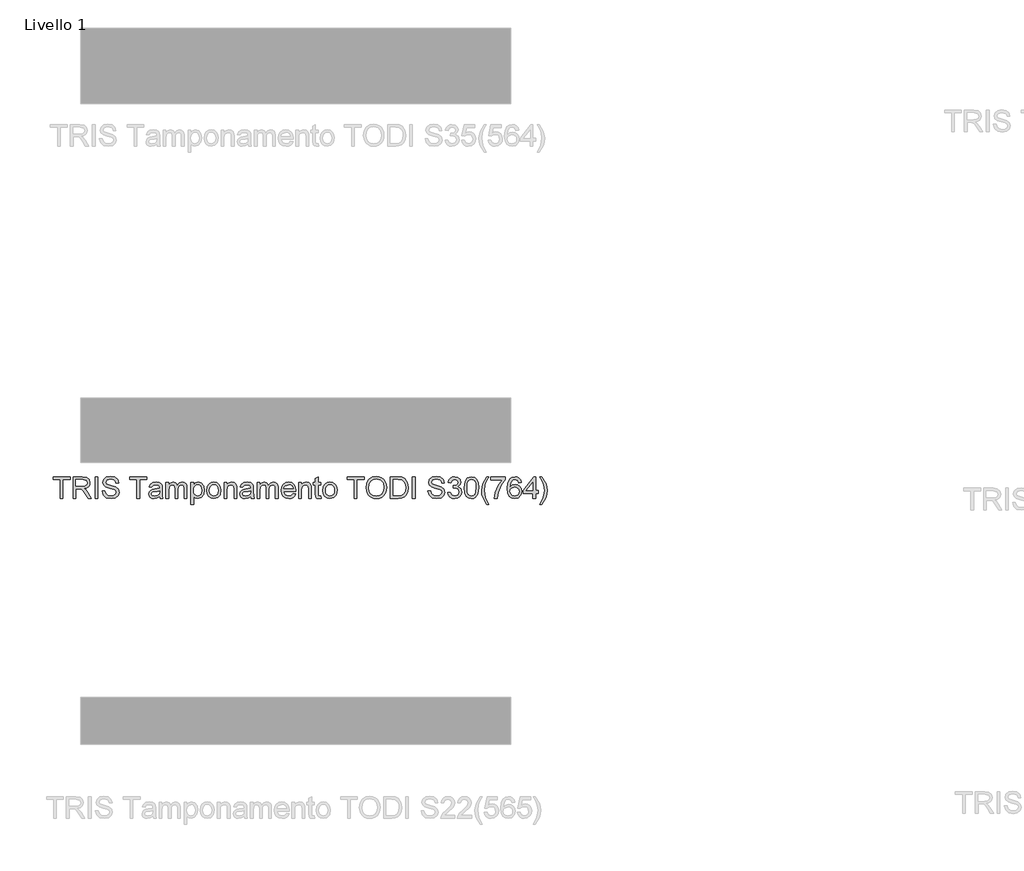
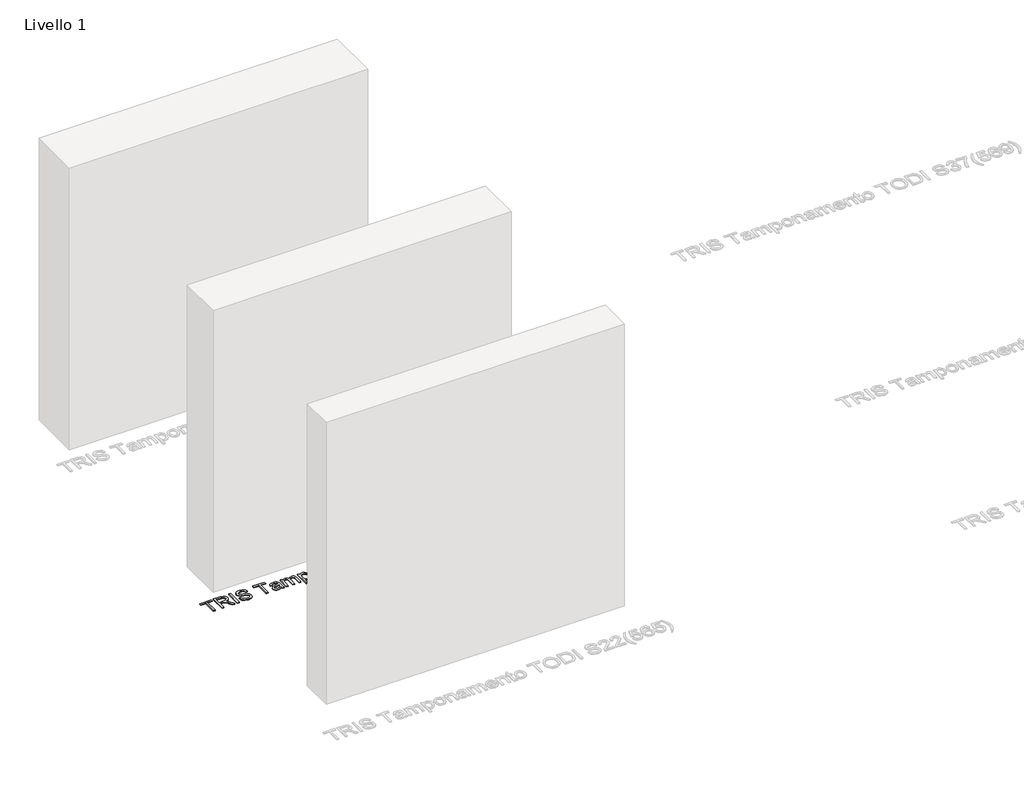
# One storey, part 4 of 18: 1 proxy.
"""IFC4 building model written with IfcOpenShell, lengths in millimetres."""

from ifc_helpers import new_model, si_unit, origin, origin_with_axes, place, context, project, spatial, polyline, outline, extrude, element, save

model = new_model("IFC4")

# Units and contexts
model_context = context("Model", 3, world=origin())
ifc_project = project(units=[si_unit("LENGTHUNIT", "METRE", prefix="MILLI")], contexts=[model_context])

# Site, building, storey
site = spatial("IfcSite", under=ifc_project)
building = spatial("IfcBuilding", under=site)
storey = spatial("IfcBuildingStorey", under=building, Name="Livello 1", Elevation=0.0)

# Proxy
placement = place(None, origin())
element("IfcBuildingElementProxy", 1, Name="100", ObjectType="100", at=placement, inside=storey, context=model_context, shape_type="SweptSolid", body=[
    extrude(outline(polyline([(-5515.4826024, -1714.0240692), (-5515.4826024, -1626.1247978), (-5548.4448291, -1626.1247978), (-5548.4448291, -1613.5677591), (-5469.9633368, -1613.5677591), (-5469.9633368, -1626.1247978), (-5502.9255636, -1626.1247978), (-5502.9255636, -1714.0240692), (-5515.4826024, -1714.0240692)])), origin_with_axes(), (0.0, 0.0, 1.0), 5.0),
    extrude(outline(polyline([(-5455.8366682, -1714.0240692), (-5455.8366682, -1613.5677591), (-5412.5492201, -1613.5677591), (-5392.4506005, -1616.2778231), (-5381.4631915, -1625.8672804), (-5377.3551759, -1641.0608068), (-5379.0566301, -1650.9568325), (-5384.1609928, -1659.160601), (-5392.8215481, -1665.1754716), (-5405.1915802, -1668.5048037), (-5398.0546695, -1673.8758808), (-5387.876601, -1686.8008016), (-5371.1257075, -1714.0240692), (-5385.7183599, -1714.0240692), (-5398.7904335, -1693.2019483), (-5408.2327381, -1679.4186362), (-5414.8668767, -1672.9071249), (-5420.8388278, -1670.5158919), (-5428.1228913, -1670.0744335), (-5443.2796295, -1670.0744335), (-5443.2796295, -1714.0240692), (-5455.8366682, -1714.0240692)]), holes=[polyline([(-5443.2796295, -1657.5173948), (-5415.173445, -1657.5173948), (-5400.8383099, -1655.7392984), (-5392.6958551, -1650.0493902), (-5389.9122147, -1641.5267907), (-5395.2219782, -1630.4658054), (-5412.0096599, -1626.1247978), (-5443.2796295, -1626.1247978), (-5443.2796295, -1657.5173948)])]), origin_with_axes(), (0.0, 0.0, 1.0), 5.0),
    extrude(outline(polyline([(-5353.8107282, -1714.0240692), (-5353.8107282, -1613.5677591), (-5341.2536895, -1613.5677591), (-5341.2536895, -1714.0240692), (-5353.8107282, -1714.0240692)])), origin_with_axes(), (0.0, 0.0, 1.0), 5.0),
    extrude(outline(polyline([(-5320.8485015, -1679.4922126), (-5308.2914627, -1679.4922126), (-5304.2447607, -1692.0615141), (-5294.3609978, -1700.0077652), (-5279.3023615, -1703.0366603), (-5266.181237, -1700.7435292), (-5257.7076884, -1694.4404843), (-5254.9240479, -1686.0159866), (-5257.0087126, -1678.1801001), (-5265.5435749, -1672.4779292), (-5283.82731, -1667.6832006), (-5303.5089968, -1661.4905203), (-5314.1898373, -1652.1463176), (-5317.7092418, -1639.6628553), (-5313.3559715, -1625.4503475), (-5300.6395172, -1615.4194318), (-5282.0246882, -1611.9981292), (-5262.1590605, -1615.5788473), (-5248.9153087, -1626.1002724), (-5243.936639, -1641.8210963), (-5256.4936778, -1641.8210963), (-5258.7990716, -1634.3285663), (-5263.606063, -1628.920701), (-5281.5341789, -1624.555168), (-5299.5113457, -1628.8716501), (-5305.152203, -1639.2949733), (-5301.154552, -1648.0015138), (-5280.6512621, -1655.0157972), (-5258.4311896, -1661.318842), (-5246.278821, -1671.4969106), (-5242.3670092, -1685.6971556), (-5246.8674322, -1700.7190037), (-5259.8168785, -1711.6818872), (-5278.8118521, -1715.5936991), (-5301.2403911, -1711.3753188), (-5315.4283734, -1698.6711273), (-5320.8485015, -1679.4922126)])), origin_with_axes(), (0.0, 0.0, 1.0), 5.0),
    extrude(outline(polyline([(-5159.1766273, -1714.0240692), (-5159.1766273, -1626.1247978), (-5192.1388541, -1626.1247978), (-5192.1388541, -1613.5677591), (-5113.6573618, -1613.5677591), (-5113.6573618, -1626.1247978), (-5146.6195885, -1626.1247978), (-5146.6195885, -1714.0240692), (-5159.1766273, -1714.0240692)])), origin_with_axes(), (0.0, 0.0, 1.0), 5.0),
    extrude(outline(polyline([(-5054.0114276, -1704.6062901), (-5066.1883217, -1713.116627), (-5079.64054, -1715.5936991), (-5090.1343739, -1714.103777), (-5097.8752242, -1709.6340107), (-5102.6484931, -1702.8465879), (-5104.2395827, -1694.4036961), (-5101.836087, -1684.4708823), (-5095.5207794, -1677.2603952), (-5086.7283997, -1673.1401168), (-5075.8636181, -1671.2516559), (-5054.085004, -1666.9351738), (-5054.0114276, -1664.1392707), (-5057.4695184, -1654.8686444), (-5071.3509323, -1651.2388754), (-5084.0551239, -1653.6546338), (-5090.1129141, -1662.2262843), (-5102.6699529, -1660.6566544), (-5097.2375621, -1648.3939213), (-5086.2992041, -1641.2079596), (-5069.7322516, -1638.6818366), (-5054.5141997, -1640.913654), (-5045.9180237, -1646.5177231), (-5042.0675255, -1655.0403227), (-5041.4543889, -1666.0277316), (-5041.4543889, -1681.6504536), (-5040.8167267, -1703.4658559), (-5038.3151292, -1714.0240692), (-5050.8721679, -1714.0240692), (-5054.0114276, -1704.6062901)]), holes=[polyline([(-5054.0114276, -1679.4922126), (-5074.2694628, -1683.3427108), (-5085.0729308, -1685.3783245), (-5089.9657613, -1688.6892625), (-5091.6825439, -1693.5207793), (-5087.9424103, -1700.3143335), (-5076.9672641, -1703.0366603), (-5064.2630726, -1700.0322907), (-5056.0715668, -1692.7604899), (-5054.085004, -1683.0484052), (-5054.0114276, -1679.4922126)])]), origin_with_axes(), (0.0, 0.0, 1.0), 5.0),
    extrude(outline(polyline([(-5024.1884606, -1714.0240692), (-5024.1884606, -1640.2514664), (-5011.6314218, -1640.2514664), (-5011.6314218, -1652.3915723), (-5002.9984576, -1642.4464957), (-4990.711199, -1638.6818366), (-4978.1296348, -1642.5200721), (-4971.2134532, -1653.2744891), (-4961.4155294, -1642.3299997), (-4949.0424317, -1638.6818366), (-4939.6031928, -1640.1993498), (-4932.622632, -1644.7518895), (-4928.3092156, -1652.462083), (-4926.8714101, -1663.4525576), (-4926.8714101, -1714.0240692), (-4939.4284489, -1714.0240692), (-4939.4284489, -1668.8481602), (-4940.5934085, -1658.3635233), (-4944.8117887, -1653.2009127), (-4951.9854876, -1651.2388754), (-4964.3340599, -1656.266596), (-4968.0220769, -1662.8087641), (-4969.2514159, -1672.3798274), (-4969.2514159, -1714.0240692), (-4981.8084547, -1714.0240692), (-4981.8084547, -1667.4502086), (-4984.7147225, -1655.2855773), (-4994.2428661, -1651.2388754), (-5003.5380179, -1653.9366767), (-5009.7184354, -1661.8338768), (-5011.6314218, -1676.8189368), (-5011.6314218, -1714.0240692), (-5024.1884606, -1714.0240692)])), origin_with_axes(), (0.0, 0.0, 1.0), 5.0),
    extrude(outline(polyline([(-4908.0358519, -1742.2774064), (-4908.0358519, -1640.2514664), (-4895.4788132, -1640.2514664), (-4895.4788132, -1652.5632505), (-4886.7967981, -1642.1521901), (-4875.0736252, -1638.6818366), (-4859.1565975, -1643.5378789), (-4848.7577998, -1657.2230892), (-4845.2506581, -1676.5736821), (-4849.2115209, -1696.9175564), (-4860.7139646, -1710.7744449), (-4876.5942041, -1715.5936991), (-4887.5202993, -1712.3686002), (-4895.4788132, -1704.2138827), (-4895.4788132, -1742.2774064), (-4908.0358519, -1742.2774064)]), holes=[polyline([(-4895.4788132, -1677.726379), (-4894.1207155, -1688.9835681), (-4890.0464224, -1696.8562428), (-4884.0346174, -1701.4915559), (-4876.8639842, -1703.0366603), (-4869.576855, -1701.4363736), (-4863.4117659, -1696.6355136), (-4859.2087141, -1688.4746646), (-4857.8076969, -1676.7944113), (-4859.1749916, -1665.5985359), (-4863.2768759, -1657.6154966), (-4869.2794837, -1652.8330307), (-4876.3489494, -1651.2388754), (-4883.4460062, -1652.9341982), (-4889.6785404, -1658.0201668), (-4894.028745, -1666.3373656), (-4895.4788132, -1677.726379)])]), origin_with_axes(), (0.0, 0.0, 1.0), 5.0),
    extrude(outline(polyline([(-4834.2632492, -1677.1377678), (-4831.5470538, -1659.3506734), (-4823.3984676, -1646.8488169), (-4813.3307636, -1640.7235817), (-4801.2764969, -1638.6818366), (-4788.0848617, -1641.1681057), (-4777.5481083, -1648.6269132), (-4770.6411238, -1660.4696478), (-4768.3387956, -1676.1076982), (-4772.4100231, -1698.4503981), (-4784.268086, -1711.093276), (-4801.2764969, -1715.5936991), (-4814.6275477, -1713.116627), (-4825.1520384, -1705.6854107), (-4831.9854465, -1693.5943557), (-4834.2632492, -1677.1377678)]), holes=[polyline([(-4821.7062104, -1677.1132424), (-4820.2530765, -1688.4777303), (-4815.8936749, -1696.5741999), (-4809.3331126, -1701.4210452), (-4801.2764969, -1703.0366603), (-4793.2566694, -1701.4118481), (-4786.7083699, -1696.5374117), (-4782.3489683, -1688.3336432), (-4780.8958344, -1676.7208349), (-4782.3581653, -1665.6874407), (-4786.7451581, -1657.7013357), (-4793.3026547, -1652.8544905), (-4801.2764969, -1651.2388754), (-4809.3331126, -1652.8483591), (-4815.8936749, -1657.6768103), (-4820.2530765, -1665.7548858), (-4821.7062104, -1677.1132424)])]), origin_with_axes(), (0.0, 0.0, 1.0), 5.0),
    extrude(outline(polyline([(-4754.212127, -1714.0240692), (-4754.212127, -1640.2514664), (-4741.6550883, -1640.2514664), (-4741.6550883, -1650.5521623), (-4732.0533682, -1641.649418), (-4718.9445064, -1638.6818366), (-4707.0864434, -1641.0730696), (-4698.9930395, -1647.351589), (-4695.2283805, -1656.585427), (-4694.5661929, -1668.7255329), (-4694.5661929, -1714.0240692), (-4707.1232316, -1714.0240692), (-4707.1232316, -1670.41779), (-4708.5702342, -1659.3077538), (-4713.6837939, -1653.4339046), (-4722.3044953, -1651.2388754), (-4735.9283919, -1656.1684941), (-4740.2234142, -1663.3115362), (-4741.6550883, -1674.8814249), (-4741.6550883, -1714.0240692), (-4754.212127, -1714.0240692)])), origin_with_axes(), (0.0, 0.0, 1.0), 5.0),
    extrude(outline(polyline([(-4630.2113692, -1704.6062901), (-4642.3882632, -1713.116627), (-4655.8404815, -1715.5936991), (-4666.3343154, -1714.103777), (-4674.0751657, -1709.6340107), (-4678.8484346, -1702.8465879), (-4680.4395243, -1694.4036961), (-4678.0360286, -1684.4708823), (-4671.720721, -1677.2603952), (-4662.9283413, -1673.1401168), (-4652.0635597, -1671.2516559), (-4630.2849456, -1666.9351738), (-4630.2113692, -1664.1392707), (-4633.6694599, -1654.8686444), (-4647.5508739, -1651.2388754), (-4660.2550655, -1653.6546338), (-4666.3128556, -1662.2262843), (-4678.8698944, -1660.6566544), (-4673.4375036, -1648.3939213), (-4662.4991456, -1641.2079596), (-4645.9321931, -1638.6818366), (-4630.7141412, -1640.913654), (-4622.1179653, -1646.5177231), (-4618.2674671, -1655.0403227), (-4617.6543304, -1666.0277316), (-4617.6543304, -1681.6504536), (-4617.0166683, -1703.4658559), (-4614.5150707, -1714.0240692), (-4627.0721095, -1714.0240692), (-4630.2113692, -1704.6062901)]), holes=[polyline([(-4630.2113692, -1679.4922126), (-4650.4694044, -1683.3427108), (-4661.2728723, -1685.3783245), (-4666.1657028, -1688.6892625), (-4667.8824855, -1693.5207793), (-4664.1423519, -1700.3143335), (-4653.1672057, -1703.0366603), (-4640.4630141, -1700.0322907), (-4632.2715084, -1692.7604899), (-4630.2849456, -1683.0484052), (-4630.2113692, -1679.4922126)])]), origin_with_axes(), (0.0, 0.0, 1.0), 5.0),
    extrude(outline(polyline([(-4600.3884021, -1714.0240692), (-4600.3884021, -1640.2514664), (-4587.8313633, -1640.2514664), (-4587.8313633, -1652.3915723), (-4579.1983992, -1642.4464957), (-4566.9111405, -1638.6818366), (-4554.3295763, -1642.5200721), (-4547.4133948, -1653.2744891), (-4537.615471, -1642.3299997), (-4525.2423732, -1638.6818366), (-4515.8031344, -1640.1993498), (-4508.8225735, -1644.7518895), (-4504.5091571, -1652.462083), (-4503.0713517, -1663.4525576), (-4503.0713517, -1714.0240692), (-4515.6283904, -1714.0240692), (-4515.6283904, -1668.8481602), (-4516.7933501, -1658.3635233), (-4521.0117303, -1653.2009127), (-4528.1854292, -1651.2388754), (-4540.5340015, -1656.266596), (-4544.2220185, -1662.8087641), (-4545.4513575, -1672.3798274), (-4545.4513575, -1714.0240692), (-4558.0083963, -1714.0240692), (-4558.0083963, -1667.4502086), (-4560.914664, -1655.2855773), (-4570.4428077, -1651.2388754), (-4579.7379594, -1653.9366767), (-4585.918377, -1661.8338768), (-4587.8313633, -1676.8189368), (-4587.8313633, -1714.0240692), (-4600.3884021, -1714.0240692)])), origin_with_axes(), (0.0, 0.0, 1.0), 5.0),
    extrude(outline(polyline([(-4432.5851614, -1692.0492514), (-4420.2733773, -1693.6188812), (-4424.709421, -1702.8956389), (-4431.7880837, -1709.8302145), (-4441.3499499, -1714.1528279), (-4453.235604, -1715.5936991), (-4467.9692779, -1713.1074299), (-4479.3061748, -1705.6486225), (-4486.535056, -1693.7016547), (-4488.944683, -1677.7509045), (-4486.5105305, -1661.2636597), (-4479.2080729, -1648.9334815), (-4468.0244602, -1641.2447478), (-4453.9468426, -1638.6818366), (-4440.3076176, -1641.2386165), (-4429.4091135, -1648.9089561), (-4422.2630057, -1661.2146088), (-4419.8809698, -1677.6773281), (-4419.9545462, -1681.0618424), (-4476.3876443, -1681.0618424), (-4474.2140748, -1690.4612274), (-4469.1648944, -1697.3712776), (-4461.8777652, -1701.6203146), (-4452.9903494, -1703.0366603), (-4440.6785653, -1700.4124354), (-4432.5851614, -1692.0492514)]), holes=[polyline([(-4476.3876443, -1668.5048037), (-4432.4380086, -1668.5048037), (-4437.4657292, -1657.1249873), (-4444.7865809, -1652.7104033), (-4453.9958935, -1651.2388754), (-4469.4592, -1655.9355022), (-4474.3244394, -1661.426141), (-4476.3876443, -1668.5048037)])]), origin_with_axes(), (0.0, 0.0, 1.0), 5.0),
    extrude(outline(polyline([(-4407.323931, -1714.0240692), (-4407.323931, -1640.2514664), (-4394.7668923, -1640.2514664), (-4394.7668923, -1650.5521623), (-4385.1651722, -1641.649418), (-4372.0563104, -1638.6818366), (-4360.1982475, -1641.0730696), (-4352.1048436, -1647.351589), (-4348.3401845, -1656.585427), (-4347.6779969, -1668.7255329), (-4347.6779969, -1714.0240692), (-4360.2350357, -1714.0240692), (-4360.2350357, -1670.41779), (-4361.6820382, -1659.3077538), (-4366.7955979, -1653.4339046), (-4375.4162993, -1651.2388754), (-4389.0401959, -1656.1684941), (-4393.3352182, -1663.3115362), (-4394.7668923, -1674.8814249), (-4394.7668923, -1714.0240692), (-4407.323931, -1714.0240692)])), origin_with_axes(), (0.0, 0.0, 1.0), 5.0),
    extrude(outline(polyline([(-4303.7283612, -1703.5516951), (-4302.1587314, -1714.3919512), (-4311.551985, -1715.5936991), (-4322.07341, -1713.5090344), (-4327.3218598, -1708.0398554), (-4328.8424387, -1693.7905595), (-4328.8424387, -1652.8085052), (-4338.2602178, -1652.8085052), (-4338.2602178, -1640.2514664), (-4328.8424387, -1640.2514664), (-4328.8424387, -1622.3233505), (-4316.2854, -1614.9411852), (-4316.2854, -1640.2514664), (-4303.7283612, -1640.2514664), (-4303.7283612, -1652.8085052), (-4316.2854, -1652.8085052), (-4316.2854, -1693.4226775), (-4315.6232124, -1699.8974006), (-4313.4772341, -1702.1905317), (-4309.1975402, -1703.0366603), (-4303.7283612, -1703.5516951)])), origin_with_axes(), (0.0, 0.0, 1.0), 5.0),
    extrude(outline(polyline([(-4294.3105821, -1677.1377678), (-4291.5943867, -1659.3506734), (-4283.4458005, -1646.8488169), (-4273.3780966, -1640.7235817), (-4261.3238299, -1638.6818366), (-4248.1321947, -1641.1681057), (-4237.5954412, -1648.6269132), (-4230.6884567, -1660.4696478), (-4228.3861286, -1676.1076982), (-4232.457356, -1698.4503981), (-4244.315419, -1711.093276), (-4261.3238299, -1715.5936991), (-4274.6748806, -1713.116627), (-4285.1993714, -1705.6854107), (-4292.0327794, -1693.5943557), (-4294.3105821, -1677.1377678)]), holes=[polyline([(-4281.7535434, -1677.1132424), (-4280.3004095, -1688.4777303), (-4275.9410078, -1696.5741999), (-4269.3804456, -1701.4210452), (-4261.3238299, -1703.0366603), (-4253.3040024, -1701.4118481), (-4246.7557029, -1696.5374117), (-4242.3963012, -1688.3336432), (-4240.9431674, -1676.7208349), (-4242.4054983, -1665.6874407), (-4246.7924911, -1657.7013357), (-4253.3499876, -1652.8544905), (-4261.3238299, -1651.2388754), (-4269.3804456, -1652.8483591), (-4275.9410078, -1657.6768103), (-4280.3004095, -1665.7548858), (-4281.7535434, -1677.1132424)])]), origin_with_axes(), (0.0, 0.0, 1.0), 5.0),
    extrude(outline(polyline([(-4148.3350064, -1714.0240692), (-4148.3350064, -1626.1247978), (-4181.2972332, -1626.1247978), (-4181.2972332, -1613.5677591), (-4102.8157409, -1613.5677591), (-4102.8157409, -1626.1247978), (-4135.7779677, -1626.1247978), (-4135.7779677, -1714.0240692), (-4148.3350064, -1714.0240692)])), origin_with_axes(), (0.0, 0.0, 1.0), 5.0),
    extrude(outline(polyline([(-4093.3979618, -1665.1202893), (-4090.0502357, -1642.9063482), (-4080.0070572, -1626.1002724), (-4064.6725094, -1615.523665), (-4045.4506751, -1611.9981292), (-4032.2743683, -1613.6535982), (-4020.4592249, -1618.6200051), (-4010.6490384, -1626.5478621), (-4003.4876022, -1637.0876813), (-3999.1098065, -1649.7305592), (-3997.6505412, -1663.9675924), (-3999.1864485, -1678.394698), (-4003.7941705, -1691.2153855), (-4011.2192555, -1701.7735988), (-4021.2072516, -1709.4132815), (-4032.9212275, -1714.0485947), (-4045.5242515, -1715.5936991), (-4058.9028934, -1713.8861135), (-4070.7854819, -1708.7633567), (-4080.5711429, -1700.6883469), (-4087.6590027, -1690.1240023), (-4093.3979618, -1665.1202893)]), holes=[polyline([(-4080.8409231, -1665.2429167), (-4078.3301284, -1680.9576092), (-4070.7977446, -1692.9321682), (-4059.4761762, -1700.5105373), (-4045.5978279, -1703.0366603), (-4031.5171445, -1700.4860118), (-4020.177182, -1692.8340663), (-4012.6999805, -1680.4916254), (-4010.20758, -1663.8694905), (-4014.4750111, -1643.1454715), (-4026.9462108, -1629.4234731), (-4045.3770987, -1624.555168), (-4058.8844993, -1626.9004157), (-4070.3685489, -1633.9361589), (-4078.2228295, -1646.4533437), (-4080.8409231, -1665.2429167)])]), origin_with_axes(), (0.0, 0.0, 1.0), 5.0),
    extrude(outline(polyline([(-3980.3846129, -1714.0240692), (-3980.3846129, -1613.5677591), (-3945.730129, -1613.5677591), (-3927.8020131, -1615.0147616), (-3913.0376823, -1622.2007232), (-3901.1428311, -1639.3685497), (-3897.1942311, -1663.2563539), (-3899.8675069, -1683.5266518), (-3906.7346375, -1698.1560925), (-3915.9071619, -1707.2673032), (-3927.9123777, -1712.3072866), (-3944.0623972, -1714.0240692), (-3980.3846129, -1714.0240692)]), holes=[polyline([(-3967.8275741, -1701.4670304), (-3945.6075016, -1701.4670304), (-3929.4452193, -1699.6521459), (-3920.1255421, -1694.5263235), (-3912.4858593, -1682.0551238), (-3909.7512698, -1663.0601501), (-3911.0909734, -1649.3749399), (-3915.1100842, -1639.2704478), (-3928.1453696, -1628.1358861), (-3945.9508582, -1626.1247978), (-3967.8275741, -1626.1247978), (-3967.8275741, -1701.4670304)])]), origin_with_axes(), (0.0, 0.0, 1.0), 5.0),
    extrude(outline(polyline([(-3878.3586729, -1714.0240692), (-3878.3586729, -1613.5677591), (-3865.8016341, -1613.5677591), (-3865.8016341, -1714.0240692), (-3878.3586729, -1714.0240692)])), origin_with_axes(), (0.0, 0.0, 1.0), 5.0),
    extrude(outline(polyline([(-3806.1557, -1679.4922126), (-3793.5986612, -1679.4922126), (-3789.5519593, -1692.0615141), (-3779.6681963, -1700.0077652), (-3764.60956, -1703.0366603), (-3751.4884355, -1700.7435292), (-3743.0148869, -1694.4404843), (-3740.2312465, -1686.0159866), (-3742.3159111, -1678.1801001), (-3750.8507734, -1672.4779292), (-3769.1345085, -1667.6832006), (-3788.8161953, -1661.4905203), (-3799.4970359, -1652.1463176), (-3803.0164403, -1639.6628553), (-3798.66317, -1625.4503475), (-3785.9467157, -1615.4194318), (-3767.3318868, -1611.9981292), (-3747.466259, -1615.5788473), (-3734.2225072, -1626.1002724), (-3729.2438375, -1641.8210963), (-3741.8008763, -1641.8210963), (-3744.1062701, -1634.3285663), (-3748.9132615, -1628.920701), (-3766.8413774, -1624.555168), (-3784.8185443, -1628.8716501), (-3790.4594015, -1639.2949733), (-3786.4617505, -1648.0015138), (-3765.9584606, -1655.0157972), (-3743.7383881, -1661.318842), (-3731.5860196, -1671.4969106), (-3727.6742077, -1685.6971556), (-3732.1746308, -1700.7190037), (-3745.124077, -1711.6818872), (-3764.1190507, -1715.5936991), (-3786.5475896, -1711.3753188), (-3800.7355719, -1698.6711273), (-3806.1557, -1679.4922126)])), origin_with_axes(), (0.0, 0.0, 1.0), 5.0),
    extrude(outline(polyline([(-3713.5475391, -1687.3403618), (-3700.9905003, -1685.770732), (-3694.0620561, -1698.9899583), (-3681.1003471, -1703.0366603), (-3672.4919084, -1701.6448401), (-3665.845507, -1697.4693794), (-3660.1801243, -1683.6860673), (-3665.7964561, -1670.6998329), (-3680.0702775, -1665.5617477), (-3688.8749199, -1666.9351738), (-3687.4769683, -1654.3781351), (-3685.4658801, -1654.5252879), (-3671.2165842, -1650.9200443), (-3666.4709064, -1646.3460448), (-3664.8890138, -1639.8345335), (-3669.475276, -1630.0120842), (-3681.2965508, -1626.1247978), (-3693.2649784, -1630.0488724), (-3699.4208705, -1641.8210963), (-3711.9779092, -1640.2514664), (-3708.2806952, -1628.9758833), (-3701.7017388, -1620.557517), (-3692.7008927, -1615.3151985), (-3681.7380092, -1613.5677591), (-3666.5935338, -1617.0135871), (-3655.9985323, -1626.4313662), (-3652.3319751, -1639.0987695), (-3655.8145913, -1650.6747896), (-3666.1152872, -1658.9889227), (-3652.4300769, -1667.572836), (-3647.6230855, -1683.9067965), (-3650.0265812, -1696.1450042), (-3657.2370683, -1706.3721237), (-3668.120244, -1713.2883052), (-3681.5418055, -1715.5936991), (-3693.6819113, -1713.6255304), (-3703.5656743, -1707.7210244), (-3710.4389362, -1698.6895214), (-3713.5475391, -1687.3403618)])), origin_with_axes(), (0.0, 0.0, 1.0), 5.0),
    extrude(outline(polyline([(-3636.6356766, -1664.6052545), (-3632.9445939, -1635.7019924), (-3621.9817105, -1619.0369381), (-3603.6734498, -1613.5677591), (-3589.007221, -1616.8051206), (-3578.8782034, -1626.1370606), (-3572.9920914, -1640.9994932), (-3570.7112231, -1664.6052545), (-3574.3655176, -1693.3858893), (-3585.2916128, -1710.0877319), (-3593.5229725, -1714.2172073), (-3603.6734498, -1715.5936991), (-3616.7209979, -1713.2024661), (-3626.6292863, -1706.0287672), (-3634.134079, -1689.0387504), (-3636.6356766, -1664.6052545)]), holes=[polyline([(-3624.0786378, -1664.5807291), (-3622.6071099, -1684.3329265), (-3618.1925259, -1695.7648595), (-3611.6197009, -1701.2187101), (-3603.6734498, -1703.0366603), (-3595.7271987, -1701.2125787), (-3589.1543738, -1695.7403341), (-3584.7397898, -1684.3022697), (-3583.2682618, -1664.5807291), (-3584.6907389, -1645.2730557), (-3588.95817, -1633.7522179), (-3595.5187323, -1628.0316528), (-3603.8206026, -1626.1247978), (-3611.6810146, -1627.8047923), (-3617.9963222, -1632.8447756), (-3622.5580589, -1645.0829833), (-3624.0786378, -1664.5807291)])]), origin_with_axes(), (0.0, 0.0, 1.0), 5.0),
    extrude(outline(polyline([(-3531.4704769, -1742.2774064), (-3549.300491, -1712.8223214), (-3554.7635386, -1695.6422322), (-3556.5845545, -1677.8490064), (-3551.1399009, -1647.3148008), (-3531.4704769, -1613.5677591), (-3522.0526978, -1613.5677591), (-3533.8003962, -1633.4579123), (-3540.8637305, -1652.7349288), (-3544.0275157, -1677.9225828), (-3538.5338112, -1710.1122573), (-3522.0526978, -1742.2774064), (-3531.4704769, -1742.2774064)])), origin_with_axes(), (0.0, 0.0, 1.0), 5.0),
    extrude(outline(polyline([(-3512.6349188, -1627.6944277), (-3512.6349188, -1615.1373889), (-3446.7104652, -1615.1373889), (-3446.7104652, -1625.290932), (-3465.4111333, -1652.3057332), (-3479.7217429, -1686.7272252), (-3484.3815815, -1714.0240692), (-3496.9386203, -1714.0240692), (-3491.9476879, -1685.6971556), (-3478.250215, -1653.6791593), (-3459.267504, -1627.6944277), (-3512.6349188, -1627.6944277)])), origin_with_axes(), (0.0, 0.0, 1.0), 5.0),
    extrude(outline(polyline([(-3371.3682326, -1640.2514664), (-3383.9252714, -1641.8210963), (-3388.6832119, -1631.3487222), (-3401.2647761, -1626.1247978), (-3412.5955415, -1629.1659557), (-3421.167192, -1640.5825602), (-3424.7356474, -1662.9620483), (-3413.6623993, -1652.9433953), (-3399.9404009, -1649.6692455), (-3388.3398553, -1651.9071943), (-3378.6032452, -1658.6210407), (-3371.9997634, -1668.878817), (-3369.7986028, -1681.7485555), (-3373.9434066, -1699.0757975), (-3385.3477484, -1711.3385306), (-3401.8043364, -1715.5936991), (-3416.0505666, -1712.7732704), (-3427.3966605, -1704.3119845), (-3434.8186797, -1689.3759755), (-3437.2926862, -1667.1313776), (-3434.5458339, -1642.1215333), (-3426.3052772, -1625.0211518), (-3415.0542195, -1616.4311073), (-3400.4799612, -1613.5677591), (-3389.4618954, -1615.339724), (-3380.6388589, -1620.6556188), (-3374.4584414, -1629.0985106), (-3371.3682326, -1640.2514664)]), holes=[polyline([(-3424.7356474, -1681.5523518), (-3421.8293796, -1692.4293961), (-3414.1038577, -1700.3265963), (-3402.785355, -1703.0366603), (-3394.4988131, -1701.6325773), (-3387.9842361, -1697.4203285), (-3383.7627902, -1690.7984526), (-3382.3556415, -1682.1654884), (-3383.7443961, -1673.8789465), (-3387.9106597, -1667.5605732), (-3394.5356013, -1663.5598565), (-3403.3003898, -1662.2262843), (-3418.4939162, -1667.5605732), (-3423.1752146, -1673.7256623), (-3424.7356474, -1681.5523518)])]), origin_with_axes(), (0.0, 0.0, 1.0), 5.0),
    extrude(outline(polyline([(-3318.0008179, -1714.0240692), (-3318.0008179, -1690.4796215), (-3363.5200834, -1690.4796215), (-3363.5200834, -1677.9225828), (-3314.8615582, -1615.1373889), (-3305.4437791, -1615.1373889), (-3305.4437791, -1677.9225828), (-3292.8867403, -1677.9225828), (-3292.8867403, -1690.4796215), (-3305.4437791, -1690.4796215), (-3305.4437791, -1714.0240692), (-3318.0008179, -1714.0240692)]), holes=[polyline([(-3318.0008179, -1677.9225828), (-3318.0008179, -1639.123295), (-3348.0690396, -1677.9225828), (-3318.0008179, -1677.9225828)])]), origin_with_axes(), (0.0, 0.0, 1.0), 5.0),
    extrude(outline(polyline([(-3275.620812, -1742.2774064), (-3285.0385911, -1742.2774064), (-3268.5574777, -1710.1122573), (-3263.0637732, -1677.9225828), (-3266.2275584, -1652.955658), (-3273.2173163, -1633.654116), (-3285.0385911, -1613.5677591), (-3275.620812, -1613.5677591), (-3255.951388, -1647.3148008), (-3250.5067345, -1677.8490064), (-3252.3369474, -1695.6422322), (-3257.8275862, -1712.8223214), (-3275.620812, -1742.2774064)])), origin_with_axes(), (0.0, 0.0, 1.0), 5.0),
])

save(model, "model.ifc")
